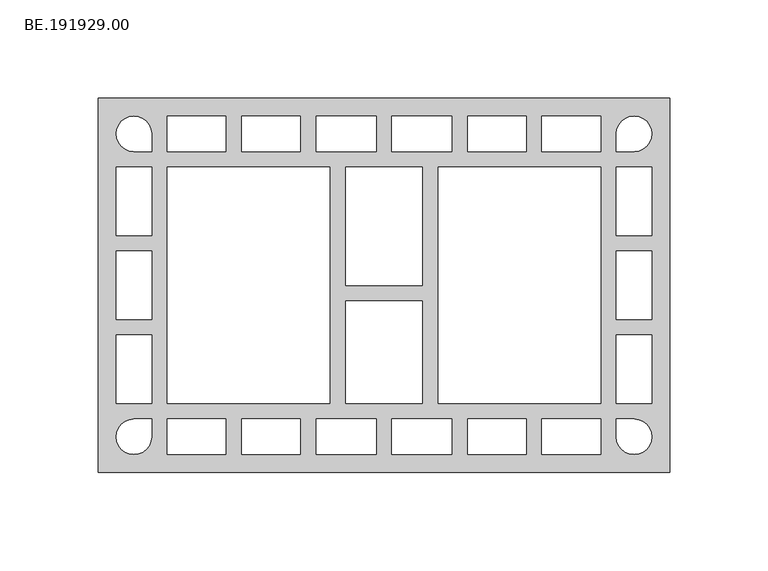
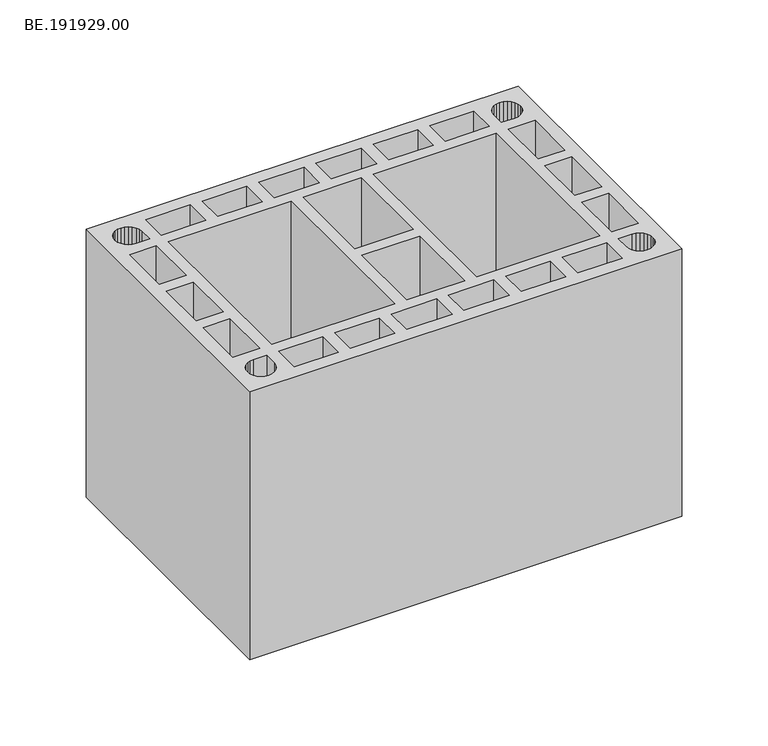
"""IFC4 building model written with IfcOpenShell, lengths in millimetres: proxy geometry, BE.191929.00."""

from ifc_helpers import new_model, si_unit, origin, origin_with_axes, place, context, project, spatial, polyline, outline, extrude, source, transform, mapped, element, save


def be_191929_00_35c8a1df(model_context):
    return source(origin(), model_context, "Body", "SweptSolid", [
        extrude(outline(polyline([(295.0, 95.0050293), (295.0, -95.0050293), (5.0, -95.0050293), (5.0, 95.0050293), (295.0, 95.0050293)]), holes=[polyline([(29.352002, 83.3592285), (27.4916504, 84.7916992), (25.3150391, 85.7032715), (22.9895996, 86.0009277), (20.6641602, 85.7032715), (18.4875488, 84.7916992), (16.6271973, 83.3592285), (15.1947266, 81.498877), (14.3017578, 79.3408691), (13.985498, 76.9968262), (14.3017578, 74.6713867), (15.1947266, 72.4947754), (16.6271973, 70.6344238), (18.4875488, 69.2019531), (20.6641602, 68.3089844), (22.9895996, 68.0113281), (31.9937012, 68.0113281), (31.9937012, 76.9968262), (31.6774414, 79.3408691), (30.7844727, 81.498877), (29.352002, 83.3592285)]), polyline([(69.7402344, 86.0009277), (39.9932129, 86.0009277), (39.9932129, 68.0113281), (69.7402344, 68.0113281), (69.7402344, 86.0009277)]), polyline([(107.4867676, 86.0009277), (77.7397461, 86.0009277), (77.7397461, 68.0113281), (107.4867676, 68.0113281), (107.4867676, 86.0009277)]), polyline([(145.9960449, 86.0009277), (115.4862793, 86.0009277), (115.4862793, 68.0051514), (145.9960449, 68.0051514), (145.9960449, 86.0009277)]), polyline([(184.4867188, 68.0051514), (184.4867188, 86.0009277), (153.9955566, 86.0009277), (153.9955566, 68.0051514), (184.4867188, 68.0051514)]), polyline([(192.4862305, 86.0009277), (192.4862305, 68.0113281), (222.233252, 68.0113281), (222.233252, 86.0009277), (192.4862305, 86.0009277)]), polyline([(259.9983887, 86.0009277), (230.2327637, 86.0009277), (230.2327637, 68.0113281), (259.9983887, 68.0113281), (259.9983887, 86.0009277)]), polyline([(269.1885254, 81.498877), (268.2955566, 79.3408691), (267.9979004, 76.9968262), (267.9979004, 68.0113281), (276.9833984, 68.0113281), (279.3274414, 68.3089844), (281.4854492, 69.2019531), (283.3458008, 70.6344238), (284.7782715, 72.4947754), (285.6898438, 74.6713867), (285.9875, 76.9968262), (285.6898438, 79.3408691), (284.7782715, 81.498877), (283.3458008, 83.3592285), (281.4854492, 84.7916992), (279.3274414, 85.7032715), (276.9833984, 86.0009277), (274.657959, 85.7032715), (272.4999512, 84.7916992), (270.6209961, 83.3592285), (269.1885254, 81.498877)]), polyline([(122.4998047, 60.0056396), (39.9932129, 60.0056396), (39.9932129, -59.9870361), (122.4998047, -59.9870361), (122.4998047, 60.0056396)]), polyline([(259.9983887, 60.0056396), (177.5010986, 60.0056396), (177.5010986, -59.9870361), (259.9983887, -59.9870361), (259.9983887, 60.0056396)]), polyline([(29.352002, -83.3592285), (30.7844727, -81.498877), (31.6774414, -79.3408691), (31.9937012, -76.9968262), (31.9937012, -68.0113281), (22.9895996, -68.0113281), (20.6641602, -68.3089844), (18.4875488, -69.2019531), (16.6271973, -70.6344238), (15.1947266, -72.4947754), (14.3017578, -74.6713867), (13.985498, -76.9968262), (14.3017578, -79.3408691), (15.1947266, -81.498877), (16.6271973, -83.3592285), (18.4875488, -84.7916992), (20.6641602, -85.7032715), (22.9895996, -86.0009277), (25.3150391, -85.7032715), (27.4916504, -84.7916992), (29.352002, -83.3592285)]), polyline([(69.7402344, -86.0009277), (69.7402344, -68.0113281), (39.9932129, -68.0113281), (39.9932129, -86.0009277), (69.7402344, -86.0009277)]), polyline([(107.4867676, -86.0009277), (107.4867676, -68.0113281), (77.7397461, -68.0113281), (77.7397461, -86.0009277), (107.4867676, -86.0009277)]), polyline([(145.9960449, -86.0009277), (145.9960449, -67.9865479), (115.4862793, -67.9865479), (115.4862793, -86.0009277), (145.9960449, -86.0009277)]), polyline([(184.4867188, -67.9865479), (153.9955566, -67.9865479), (153.9955566, -86.0009277), (184.4867188, -86.0009277), (184.4867188, -67.9865479)]), polyline([(192.4862305, -86.0009277), (222.233252, -86.0009277), (222.233252, -68.0113281), (192.4862305, -68.0113281), (192.4862305, -86.0009277)]), polyline([(259.9983887, -86.0009277), (259.9983887, -68.0113281), (230.2327637, -68.0113281), (230.2327637, -86.0009277), (259.9983887, -86.0009277)]), polyline([(269.1885254, -81.498877), (270.6209961, -83.3592285), (272.4999512, -84.7916992), (274.657959, -85.7032715), (276.9833984, -86.0009277), (279.3274414, -85.7032715), (281.4854492, -84.7916992), (283.3458008, -83.3592285), (284.7782715, -81.498877), (285.6898438, -79.3408691), (285.9875, -76.9968262), (285.6898438, -74.6713867), (284.7782715, -72.4947754), (283.3458008, -70.6344238), (281.4854492, -69.2019531), (279.3274414, -68.3089844), (276.9833984, -68.0113281), (267.9979004, -68.0113281), (267.9979004, -76.9968262), (268.2955566, -79.3408691), (269.1885254, -81.498877)]), polyline([(32.0020996, 60.0056396), (14.0125, 60.0056396), (14.0125, 25.34729), (32.0020996, 25.34729), (32.0020996, 60.0056396)]), polyline([(32.0020996, -17.3291748), (32.0020996, 17.3477783), (14.0125, 17.3477783), (14.0125, -17.3291748), (32.0020996, -17.3291748)]), polyline([(32.0020996, -59.9870361), (32.0020996, -25.3286865), (14.0125, -25.3286865), (14.0125, -59.9870361), (32.0020996, -59.9870361)]), polyline([(267.9979004, 60.0056396), (267.9979004, 25.34729), (285.9875, 25.34729), (285.9875, 60.0056396), (267.9979004, 60.0056396)]), polyline([(267.9979004, -17.3291748), (285.9875, -17.3291748), (285.9875, 17.3477783), (267.9979004, 17.3477783), (267.9979004, -17.3291748)]), polyline([(267.9979004, -59.9870361), (285.9875, -59.9870361), (285.9875, -25.3286865), (267.9979004, -25.3286865), (267.9979004, -59.9870361)]), polyline([(130.4993164, 60.0056396), (130.4993164, 0.0), (169.5015869, 0.0), (169.5015869, 60.0056396), (130.4993164, 60.0056396)]), polyline([(130.4993164, -7.99021), (130.4993164, -59.9870361), (169.5015869, -59.9870361), (169.5015869, -7.99021), (130.4993164, -7.99021)])]), origin_with_axes(), (0.0, 0.0, 1.0), 190.0),
    ])


if __name__ == "__main__":
    model = new_model("IFC4")
    model_context = context("Model", 3, world=origin())
    ifc_project = project(units=[si_unit("LENGTHUNIT", "METRE", prefix="MILLI")], contexts=[model_context])
    site = spatial("IfcSite", under=ifc_project)
    building = spatial("IfcBuilding", under=site)
    placement = place(None, origin())
    be_191929_00_shape = be_191929_00_35c8a1df(model_context)
    element("IfcBuildingElementProxy", 1, Name="BE.191929.00", ObjectType="BE.191929.00", at=placement, inside=building, context=model_context, shape_type="MappedRepresentation", body=[
        mapped(be_191929_00_shape, transform((0.0, 0.0, 0.0), x_axis=(1.0, 0.0, 0.0), y_axis=(0.0, 1.0, 0.0), z_axis=(0.0, 0.0, 1.0))),
    ])
    save(model, "model.ifc")
